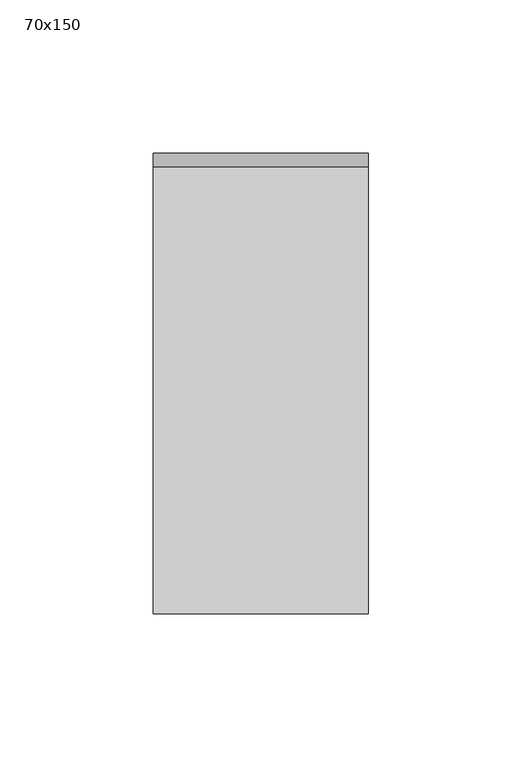
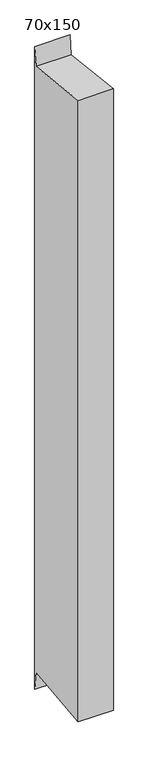
"""IFC4 building model written with IfcOpenShell, lengths in millimetres: member geometry, 70x150."""

from ifc_helpers import new_model, si_unit, frame, origin, place, context, project, spatial, polyline, outline, extrude, source, transform, mapped, element, save


def member_70x150_b13c434b(model_context):
    return source(origin(), model_context, "Body", "SweptSolid", [
        extrude(outline(polyline([(-75.0, 8.1118336), (70.6798324, -8.0622955), (75.0, 30.8493077), (75.0, -1323.2491282), (70.6798324, -1284.337525), (-75.0, -1300.5116542), (-75.0, 8.1118336)])), frame((-70.0, 0.0, 0.0), z_axis=(1.0, 0.0, 0.0), x_axis=(0.0, 1.0, 0.0)), (0.0, 0.0, 1.0), 70.0),
    ])


if __name__ == "__main__":
    model = new_model("IFC4")
    model_context = context("Model", 3, world=origin())
    ifc_project = project(units=[si_unit("LENGTHUNIT", "METRE", prefix="MILLI")], contexts=[model_context])
    site = spatial("IfcSite", under=ifc_project)
    building = spatial("IfcBuilding", under=site)
    placement = place(None, origin())
    member_70x150_shape = member_70x150_b13c434b(model_context)
    element("IfcMember", 1, ObjectType="70x150", at=placement, inside=building, context=model_context, shape_type="MappedRepresentation", body=[
        mapped(member_70x150_shape, transform((0.0, 0.0, 0.0), x_axis=(1.0, 0.0, 0.0), y_axis=(0.0, 1.0, 0.0), z_axis=(0.0, 0.0, 1.0))),
    ])
    save(model, "model.ifc")
